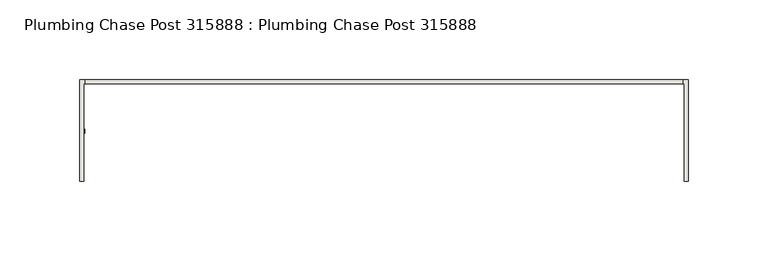
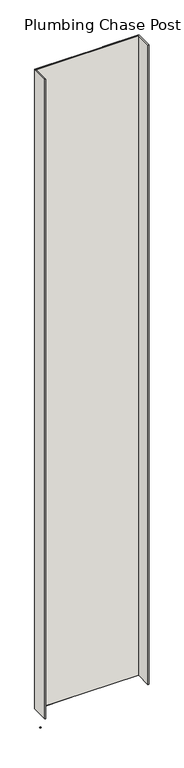
"""IFC4 building model written with IfcOpenShell, lengths in millimetres: wall geometry, Plumbing Chase Post 315888 : Plumbing Chase Post 315888."""

from ifc_helpers import new_model, si_unit, frame, origin, place, context, project, spatial, polyline, outline, extrude, source, transform, mapped, element, save


def plumbing_chase_post_315888_plumbing_chase_post_315888_e49307db(model_context):
    return source(origin(), model_context, "Body", "SweptSolid", [
        extrude(outline(polyline([(74914.855504, -53335.9245954), (74912.315504, -53335.9245954), (74912.315504, -53333.3845954), (74914.855504, -53333.3845954), (74914.855504, -53335.9245954)])), frame((0.0, 0.0, 4419.6), z_axis=(0.0, 0.0, 1.0), x_axis=(1.0, 0.0, 0.0)), (0.0, 0.0, 1.0), 2.54),
        extrude(outline(polyline([(74915.0117648, -53302.6627366), (75290.6291492, -53302.6627366), (75290.6291492, -53305.329254), (74915.0117648, -53305.329254), (74915.0117648, -53302.6627366)])), frame((0.0, 0.0, 4474.8958), z_axis=(0.0, 0.0, 1.0), x_axis=(1.0, 0.0, 0.0)), (0.0, 0.0, 1.0), 2481.1482254),
        extrude(outline(polyline([(74915.0117648, -53302.6627366), (75290.6291492, -53302.6627366), (75290.6291492, -53305.329254), (74915.0117648, -53305.329254), (74915.0117648, -53302.6627366)])), frame((0.0, 0.0, 4474.8958), z_axis=(0.0, 0.0, 1.0), x_axis=(1.0, 0.0, 0.0)), (0.0, 0.0, 1.0), 2481.1482254),
        extrude(outline(polyline([(74911.5577204, -53302.6627366), (75044.9077204, -53302.6627366), (75044.9077204, -53305.329254), (74914.2242124, -53305.329254), (74914.2242124, -53366.6712446), (74911.5577204, -53366.6712446), (74911.5577204, -53302.6627366)])), frame((0.0, 0.0, 4474.8958), z_axis=(0.0, 0.0, 1.0), x_axis=(1.0, 0.0, 0.0)), (0.0, 0.0, 1.0), 2481.1482254),
        extrude(outline(polyline([(74911.5577204, -53302.6627366), (75044.9077204, -53302.6627366), (75044.9077204, -53305.329254), (74914.2242124, -53305.329254), (74914.2242124, -53366.6712446), (74911.5577204, -53366.6712446), (74911.5577204, -53302.6627366)])), frame((0.0, 0.0, 4474.8958), z_axis=(0.0, 0.0, 1.0), x_axis=(1.0, 0.0, 0.0)), (0.0, 0.0, 1.0), 2481.1482254),
        extrude(outline(polyline([(75160.7084032, -53305.329254), (75160.7084032, -53302.6627366), (75294.0584032, -53302.6627366), (75294.0584032, -53366.6712446), (75291.3918858, -53366.6712446), (75291.4167016, -53305.329254), (75160.7084032, -53305.329254)])), frame((0.0, 0.0, 4474.8958), z_axis=(0.0, 0.0, 1.0), x_axis=(1.0, 0.0, 0.0)), (0.0, 0.0, 1.0), 2481.1482254),
        extrude(outline(polyline([(75160.7084032, -53305.329254), (75160.7084032, -53302.6627366), (75294.0584032, -53302.6627366), (75294.0584032, -53366.6712446), (75291.3918858, -53366.6712446), (75291.4167016, -53305.329254), (75160.7084032, -53305.329254)])), frame((0.0, 0.0, 4474.8958), z_axis=(0.0, 0.0, 1.0), x_axis=(1.0, 0.0, 0.0)), (0.0, 0.0, 1.0), 2481.1482254),
    ])


if __name__ == "__main__":
    model = new_model("IFC4")
    model_context = context("Model", 3, world=origin())
    ifc_project = project(units=[si_unit("LENGTHUNIT", "METRE", prefix="MILLI")], contexts=[model_context])
    site = spatial("IfcSite", under=ifc_project)
    building = spatial("IfcBuilding", under=site)
    placement = place(None, origin())
    plumbing_chase_post_315888_plumbing_chase_post_315888_shape = plumbing_chase_post_315888_plumbing_chase_post_315888_e49307db(model_context)
    element("IfcWall", 1, ObjectType="Plumbing Chase Post 315888 : Plumbing Chase Post 315888", at=placement, inside=building, context=model_context, shape_type="MappedRepresentation", body=[
        mapped(plumbing_chase_post_315888_plumbing_chase_post_315888_shape, transform((0.0, 0.0, 0.0), x_axis=(1.0, 0.0, 0.0), y_axis=(0.0, 1.0, 0.0), z_axis=(0.0, 0.0, 1.0))),
    ])
    save(model, "model.ifc")
